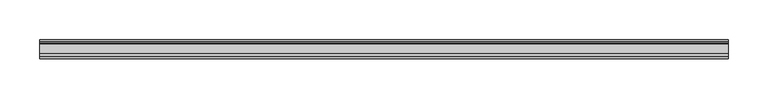
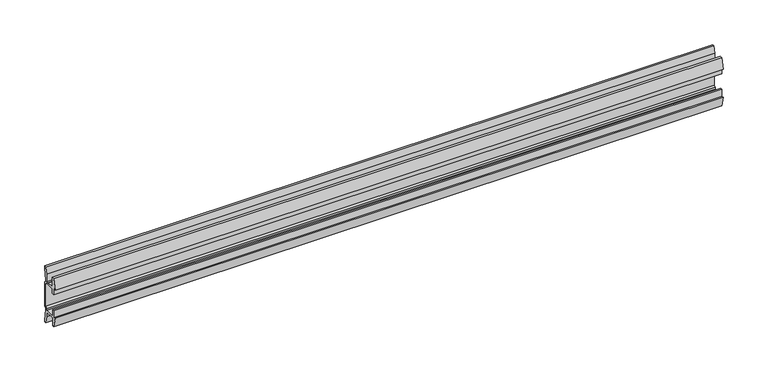
"""IFC4 building model written with IfcOpenShell, lengths in millimetres: furniture geometry."""

from ifc_helpers import new_model, si_unit, point, frame, frame_2d, origin, place, context, project, spatial, polyline, circle_curve, trimmed, segment, composite_curve, outline, extrude, source, transform, mapped, element, save


def furniture_946128bc(model_context):
    return source(origin(), model_context, "Body", "SweptSolid", [
        extrude(outline(composite_curve([segment(polyline([(11.858323, 1787.0845986), (10.7166987, 1781.1251626)]), True, "CONTINUOUS"), segment(trimmed(circle_curve(frame_2d((88.1501042, 1766.291568)), 78.8414093), [point((10.7166987, 1781.1251626))], [point((9.4546262, 1771.0863112))], True, "CARTESIAN"), True, "CONTINUOUS"), segment(polyline([(9.4546262, 1771.0863112), (11.4773198, 1769.0636177), (11.4773198, 1736.1363823), (9.4546262, 1734.1136888)]), True, "CONTINUOUS"), segment(trimmed(circle_curve(frame_2d((88.1501042, 1738.908432)), 78.8414093), [point((9.4546262, 1734.1136888))], [point((10.7166987, 1724.0748374))], True, "CARTESIAN"), True, "CONTINUOUS"), segment(polyline([(10.7166987, 1724.0748374), (11.858323, 1718.1154014), (11.858323, 1714.5006449), (9.3183016, 1714.5006449), (7.5671861, 1723.641709), (6.9977776, 1730.3354675), (-5.9218281, 1730.3354675), (-5.9218281, 1719.7705449), (-8.4618484, 1719.7705449), (-11.7914971, 1733.2790462), (-8.4618484, 1732.2801511), (-8.4618484, 1741.8052306), (-5.9218281, 1741.8052306), (-5.9218281, 1732.915155), (6.7782802, 1732.915155), (6.7782802, 1735.469689), (8.8976323, 1737.3120136), (8.8976323, 1767.8910348), (6.7782802, 1769.7454685), (-5.2868484, 1769.7454685), (-5.2868484, 1763.3954144), (-8.4618484, 1763.3954144), (-8.4618484, 1772.9204939), (-11.858323, 1771.6504837), (-8.4618484, 1785.4301), (-5.2868484, 1785.4301), (-5.2868484, 1772.2854899), (6.7782802, 1772.2854899), (7.5671861, 1781.5595809), (9.3183016, 1790.7006449), (11.858323, 1790.7006449), (11.858323, 1787.0845986)]), True, "CONTINUOUS")], self_intersect=False)), frame((-431.8, 0.0, 0.0), z_axis=(1.0, 0.0, 0.0), x_axis=(0.0, 1.0, 0.0)), (0.0, 0.0, 1.0), 863.6),
    ])


if __name__ == "__main__":
    model = new_model("IFC4")
    model_context = context("Model", 3, world=origin())
    ifc_project = project(units=[si_unit("LENGTHUNIT", "METRE", prefix="MILLI")], contexts=[model_context])
    site = spatial("IfcSite", under=ifc_project)
    building = spatial("IfcBuilding", under=site)
    placement = place(None, origin())
    furniture_shape = furniture_946128bc(model_context)
    element("IfcFurniture", 1, at=placement, inside=building, context=model_context, shape_type="MappedRepresentation", body=[
        mapped(furniture_shape, transform((0.0, 0.0, 0.0), x_axis=(1.0, 0.0, 0.0), y_axis=(0.0, 1.0, 0.0), z_axis=(0.0, 0.0, 1.0))),
    ])
    save(model, "model.ifc")
